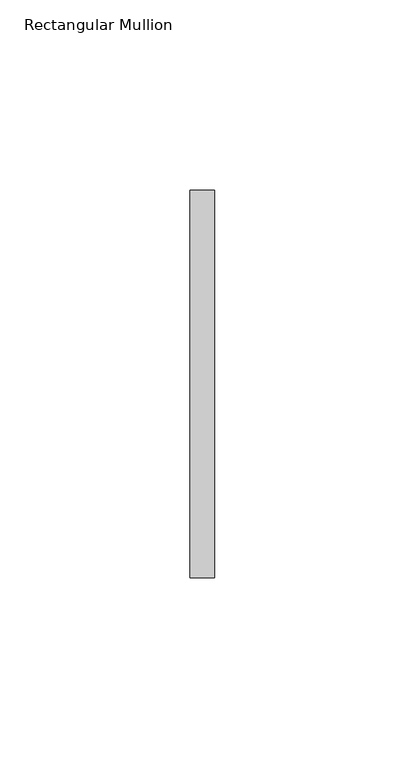
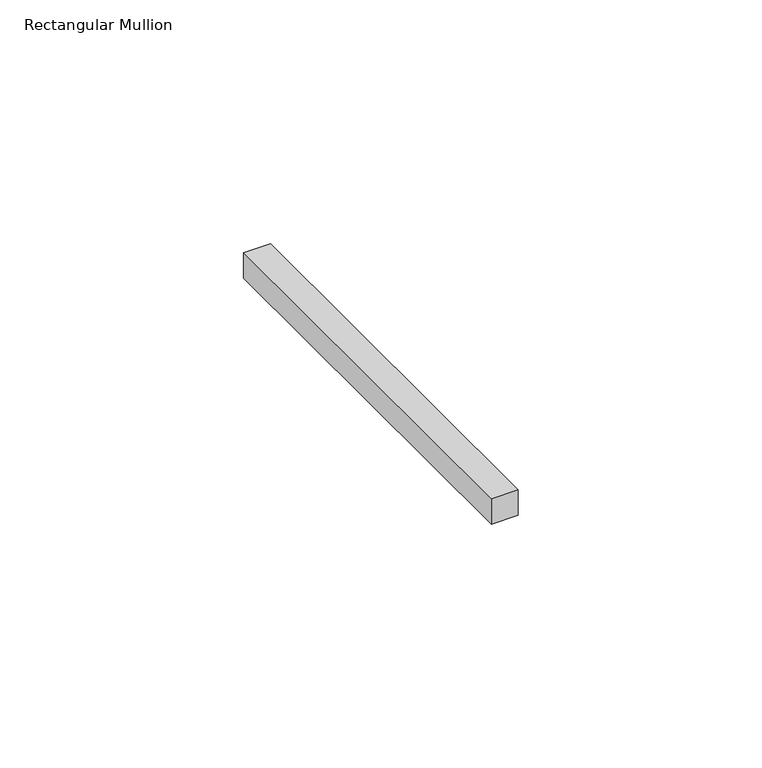
"""IFC4 building model written with IfcOpenShell, lengths in millimetres: member geometry, Rectangular Mullion."""

from ifc_helpers import new_model, si_unit, frame, origin, place, context, project, spatial, polyline, outline, extrude, source, transform, mapped, element, save


def rectangular_mullion_5adf829e(model_context):
    return source(origin(), model_context, "Body", "SweptSolid", [
        extrude(outline(polyline([(0.0, 50.8), (0.0, -50.8), (-6.35, -50.8), (-6.35, 50.8), (0.0, 50.8)])), frame((0.0, 0.0, -6.35), z_axis=(0.0, 0.0, 1.0), x_axis=(1.0, 0.0, 0.0)), (0.0, 0.0, 1.0), 6.35),
    ])


if __name__ == "__main__":
    model = new_model("IFC4")
    model_context = context("Model", 3, world=origin())
    ifc_project = project(units=[si_unit("LENGTHUNIT", "METRE", prefix="MILLI")], contexts=[model_context])
    site = spatial("IfcSite", under=ifc_project)
    building = spatial("IfcBuilding", under=site)
    placement = place(None, origin())
    rectangular_mullion_shape = rectangular_mullion_5adf829e(model_context)
    element("IfcMember", 1, ObjectType="Rectangular Mullion", at=placement, inside=building, context=model_context, shape_type="MappedRepresentation", body=[
        mapped(rectangular_mullion_shape, transform((0.0, 0.0, 0.0), x_axis=(1.0, 0.0, 0.0), y_axis=(0.0, 1.0, 0.0), z_axis=(0.0, 0.0, 1.0))),
    ])
    save(model, "model.ifc")
